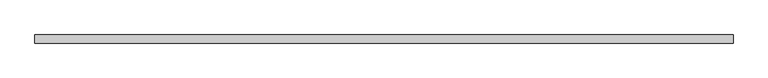
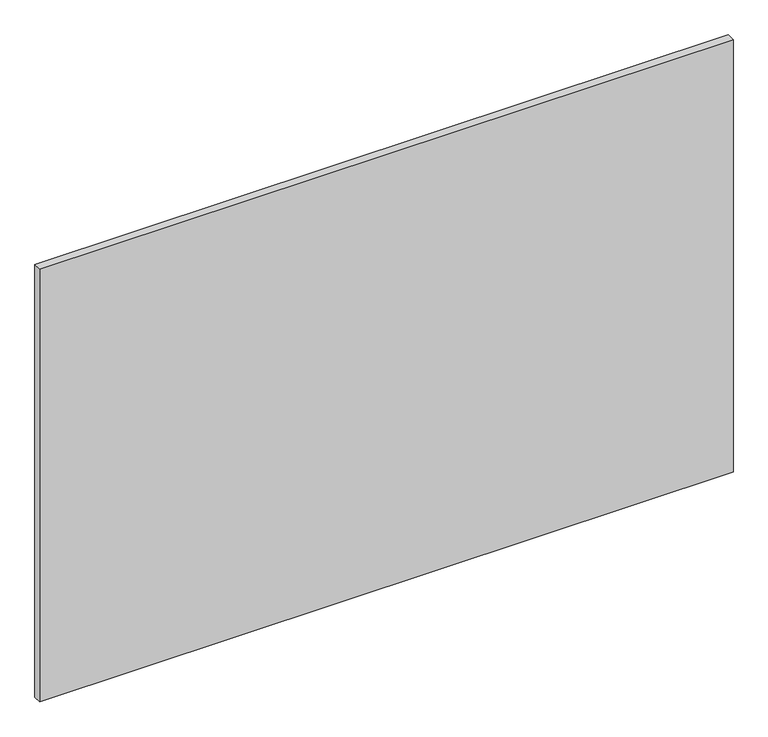
"""IFC4 building model written with IfcOpenShell, lengths in millimetres: plate geometry."""

from ifc_helpers import new_model, si_unit, origin, origin_with_axes, place, context, project, spatial, polyline, outline, extrude, source, transform, mapped, element, save


def plate_d1859811(model_context):
    return source(origin(), model_context, "Body", "SweptSolid", [
        extrude(outline(polyline([(625.0, 7.25), (625.0, -7.25), (-625.0, -7.25), (-625.0, 7.25), (625.0, 7.25)])), origin_with_axes(), (0.0, 0.0, 1.0), 825.0),
    ])


if __name__ == "__main__":
    model = new_model("IFC4")
    model_context = context("Model", 3, world=origin())
    ifc_project = project(units=[si_unit("LENGTHUNIT", "METRE", prefix="MILLI")], contexts=[model_context])
    site = spatial("IfcSite", under=ifc_project)
    building = spatial("IfcBuilding", under=site)
    placement = place(None, origin())
    plate_shape = plate_d1859811(model_context)
    element("IfcPlate", 1, at=placement, inside=building, context=model_context, shape_type="MappedRepresentation", body=[
        mapped(plate_shape, transform((0.0, 0.0, 0.0), x_axis=(1.0, 0.0, 0.0), y_axis=(0.0, 1.0, 0.0), z_axis=(0.0, 0.0, 1.0))),
    ])
    save(model, "model.ifc")
